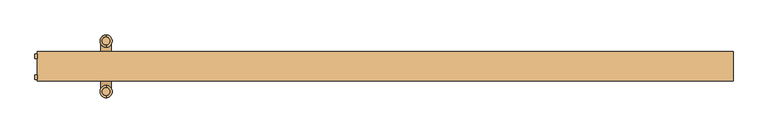
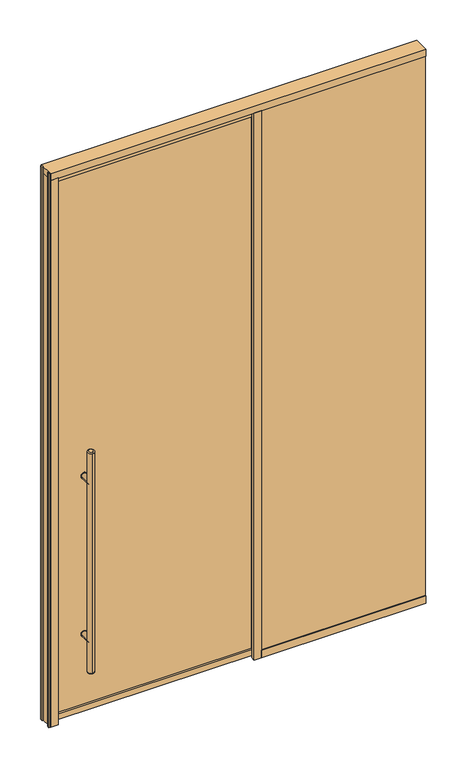
"""IFC4 building model written with IfcOpenShell, lengths in millimetres: door geometry."""

import ifcopenshell
import ifcopenshell.guid

model = None  # the IFC model being written
_history = None  # IfcOwnerHistory: only IFC2X3 demands one
_inside = {}  # id of a spatial element -> (the spatial element, [elements in it])
_under = {}  # id of a project, library or spatial element -> (it, [spatial elements below it])
_declared = {}  # id of a project -> (the project, [libraries it declares])
_typed = {}  # id of a type object -> (the type object, [elements of that type])
_made_of = {}  # id of a material, layer set ... -> (it, [elements and type objects made of it])


def new_model(schema):
    """Start an empty IFC model of exactly this schema.

    Asked for "IFC4X3", IfcOpenShell would pick the latest addendum, in which some entities
    have other attributes; the version numbers below select the first issue.
    IFC2X3 requires an IfcOwnerHistory on every rooted entity: one is made here for all.
    """
    global model, _history
    if schema == "IFC4X3":
        model = ifcopenshell.file(schema_version=(4, 3, 0, 0))
    else:
        model = ifcopenshell.file(schema=schema)
    _inside.clear()
    _under.clear()
    _declared.clear()
    _typed.clear()
    _made_of.clear()
    _history = None
    if model.schema == "IFC2X3":
        org = make("IfcOrganization", Name="unknown")
        user = make(
            "IfcPersonAndOrganization",
            ThePerson=make("IfcPerson", FamilyName="unknown"),
            TheOrganization=org,
        )
        app = make(
            "IfcApplication",
            ApplicationDeveloper=org,
            Version="unknown",
            ApplicationFullName="unknown",
            ApplicationIdentifier="unknown",
        )
        _history = make(
            "IfcOwnerHistory",
            OwningUser=user,
            OwningApplication=app,
            ChangeAction="ADDED",
            CreationDate=0,
        )
    return model


def make(cls, **values):
    """One entity of the class cls with the attributes given. An attribute that is None is left unset."""
    return model.create_entity(
        cls, **{name: value for name, value in values.items() if value is not None}
    )


def rooted(cls, **values):
    """An entity with a GlobalId (a new one), such as an element, a storey or a relation."""
    return make(cls, GlobalId=ifcopenshell.guid.new(), OwnerHistory=_history, **values)


def si_unit(unit_type, name, prefix=None):
    """IfcSIUnit, for example si_unit("LENGTHUNIT", "METRE", prefix="MILLI")."""
    return make("IfcSIUnit", UnitType=unit_type, Prefix=prefix, Name=name)


def assignment(units):
    """IfcUnitAssignment: the units of a project."""
    return None if units is None else make("IfcUnitAssignment", Units=units)


def point(xyz):
    """IfcCartesianPoint."""
    return None if xyz is None else make("IfcCartesianPoint", Coordinates=xyz)


def direction(xyz):
    """IfcDirection."""
    return None if xyz is None else make("IfcDirection", DirectionRatios=xyz)


def frame(location, z_axis=None, x_axis=None):
    """IfcAxis2Placement3D, a coordinate frame: its origin and axes. An axis left out is left unset."""
    return make(
        "IfcAxis2Placement3D",
        Location=point(location),
        Axis=direction(z_axis),
        RefDirection=direction(x_axis),
    )


def frame_2d(location, x_axis=None):
    """IfcAxis2Placement2D, a coordinate frame in the plane: its origin and x axis."""
    return make(
        "IfcAxis2Placement2D", Location=point(location), RefDirection=direction(x_axis)
    )


def origin():
    """The frame at (0, 0, 0) with its axes left unset."""
    return frame((0.0, 0.0, 0.0))


def origin_with_axes():
    """The frame at (0, 0, 0) with the z axis (0, 0, 1) and the x axis (1, 0, 0) written out."""
    return frame((0.0, 0.0, 0.0), z_axis=(0.0, 0.0, 1.0), x_axis=(1.0, 0.0, 0.0))


def place(relative_to, where):
    """IfcLocalPlacement: puts the frame where relative to a parent placement (None: the world)."""
    return make(
        "IfcLocalPlacement", PlacementRelTo=relative_to, RelativePlacement=where
    )


def context(
    kind, dimensions, precision=None, world=None, true_north=None, identifier=None
):
    """IfcGeometricRepresentationContext, for example the 3D "Model" context."""
    return make(
        "IfcGeometricRepresentationContext",
        ContextIdentifier=identifier,
        ContextType=kind,
        CoordinateSpaceDimension=dimensions,
        Precision=precision,
        WorldCoordinateSystem=world,
        TrueNorth=true_north,
    )


def project(units=None, contexts=None):
    """IfcProject with its units and contexts."""
    return rooted(
        "IfcProject",
        Name="project",
        RepresentationContexts=contexts,
        UnitsInContext=assignment(units),
    )


def spatial(cls, under=None, at=None, **own):
    """A site, building, storey or space (cls), placed at a placement, below another one or the project."""
    s = rooted(cls, ObjectPlacement=at, **own)
    if under is not None:
        _under.setdefault(under.id(), (under, []))[1].append(s)
    return s


def polyline(points):
    """IfcPolyline through the points."""
    return make("IfcPolyline", Points=[point(p) for p in points])


def circle_curve(where, radius):
    """IfcCircle in the frame where."""
    return make("IfcCircle", Position=where, Radius=radius)


def ellipse_curve(where, semi_axis1, semi_axis2):
    """IfcEllipse in the frame where."""
    return make(
        "IfcEllipse", Position=where, SemiAxis1=semi_axis1, SemiAxis2=semi_axis2
    )


def trimmed(basis, trim1, trim2, sense, master):
    """IfcTrimmedCurve: the piece of a basis curve between two trims."""
    return make(
        "IfcTrimmedCurve",
        BasisCurve=basis,
        Trim1=trim1,
        Trim2=trim2,
        SenseAgreement=sense,
        MasterRepresentation=master,
    )


def segment(curve, same_sense, transition):
    """IfcCompositeCurveSegment."""
    return make(
        "IfcCompositeCurveSegment",
        Transition=transition,
        SameSense=same_sense,
        ParentCurve=curve,
    )


def composite_curve(segments, self_intersect=None):
    """IfcCompositeCurve: segments joined end to end."""
    return make("IfcCompositeCurve", Segments=segments, SelfIntersect=self_intersect)


def outline(outer, holes=None, kind="AREA"):
    """IfcArbitraryClosedProfileDef: a profile drawn as a closed curve; with holes, ...WithVoids."""
    if holes is None:
        return make("IfcArbitraryClosedProfileDef", ProfileType=kind, OuterCurve=outer)
    return make(
        "IfcArbitraryProfileDefWithVoids",
        ProfileType=kind,
        OuterCurve=outer,
        InnerCurves=holes,
    )


def extrude(swept, where, along, depth):
    """IfcExtrudedAreaSolid: the profile swept, set in the frame where, extruded along a direction by depth."""
    return make(
        "IfcExtrudedAreaSolid",
        SweptArea=swept,
        Position=where,
        ExtrudedDirection=direction(along),
        Depth=depth,
    )


def shape(context_of_items, identifier, shape_type, items):
    """IfcShapeRepresentation: the items that make up one representation, for example the "Body"."""
    return make(
        "IfcShapeRepresentation",
        ContextOfItems=context_of_items,
        RepresentationIdentifier=identifier,
        RepresentationType=shape_type,
        Items=items,
    )


def source(mapping_origin, context_of_items, identifier, shape_type, items):
    """IfcRepresentationMap: a shape defined once, which mapped items show again and again."""
    return make(
        "IfcRepresentationMap",
        MappingOrigin=mapping_origin,
        MappedRepresentation=shape(context_of_items, identifier, shape_type, items),
    )


def transform(
    local_origin,
    x_axis=None,
    y_axis=None,
    z_axis=None,
    scale=None,
    scale2=None,
    scale3=None,
    uniform=True,
):
    """IfcCartesianTransformationOperator3D, or its non-uniform kind. x_axis, y_axis, z_axis: its Axis1, 2, 3."""
    if uniform:
        return make(
            "IfcCartesianTransformationOperator3D",
            Axis1=direction(x_axis),
            Axis2=direction(y_axis),
            LocalOrigin=point(local_origin),
            Scale=scale,
            Axis3=direction(z_axis),
        )
    return make(
        "IfcCartesianTransformationOperator3DnonUniform",
        Axis1=direction(x_axis),
        Axis2=direction(y_axis),
        LocalOrigin=point(local_origin),
        Scale=scale,
        Axis3=direction(z_axis),
        Scale2=scale2,
        Scale3=scale3,
    )


def mapped(mapping_source, mapping_target):
    """IfcMappedItem: shows the shape of a source again, moved by a transform."""
    return make(
        "IfcMappedItem", MappingSource=mapping_source, MappingTarget=mapping_target
    )


def made_of(thing, what):
    """Note that an element or type object is made of a material, layer set ...; save() writes the relation."""
    if what is not None:
        _made_of.setdefault(what.id(), (what, []))[1].append(thing)
    return thing


def element(
    cls,
    number,
    at=None,
    inside=None,
    cuts=None,
    type_object=None,
    material=None,
    context=None,
    identifier="Body",
    shape_type=None,
    held_by="IfcProductDefinitionShape",
    body=None,
    shapes=None,
    **own,
):
    """One element of the class cls, such as IfcWall. Its Tag is "e" and its number.

    at: its placement. inside: the storey or other place that contains it. cuts: it is an
    opening in that element (IfcRelVoidsElement). A single representation is given by context,
    identifier, shape_type and body (its items); several are given by shapes. held_by: the class
    of the entity that holds the representations. save() writes the other relations.
    """
    e = rooted(cls, Tag="e%d" % number, ObjectPlacement=at, **own)
    if body is not None:
        shapes = [shape(context, identifier, shape_type, body)]
    if shapes is not None:
        e.Representation = make(held_by, Representations=shapes)
    if inside is not None:
        _inside.setdefault(inside.id(), (inside, []))[1].append(e)
    if cuts is not None:
        rooted(
            "IfcRelVoidsElement", RelatingBuildingElement=cuts, RelatedOpeningElement=e
        )
    if type_object is not None:
        _typed.setdefault(type_object.id(), (type_object, []))[1].append(e)
    return made_of(e, material)


def aggregate(whole, parts):
    """IfcRelAggregates: a whole, such as a stair, and the parts it consists of."""
    return rooted("IfcRelAggregates", RelatingObject=whole, RelatedObjects=parts)


def save(model, path):
    """Write the relations noted so far, then the file.

    IfcRelAggregates (storeys below a building ...), IfcRelContainedInSpatialStructure (elements
    in a storey), IfcRelDefinesByType, IfcRelAssociatesMaterial and IfcRelDeclares: one each for
    every whole, place, type object, material and project.
    """
    for whole, parts in _under.values():
        aggregate(whole, parts)
    for where, things in _inside.values():
        rooted(
            "IfcRelContainedInSpatialStructure",
            RelatedElements=things,
            RelatingStructure=where,
        )
    for kind, things in _typed.values():
        rooted("IfcRelDefinesByType", RelatedObjects=things, RelatingType=kind)
    for what, things in _made_of.values():
        rooted("IfcRelAssociatesMaterial", RelatedObjects=things, RelatingMaterial=what)
    for by, libraries in _declared.values():
        rooted("IfcRelDeclares", RelatingContext=by, RelatedDefinitions=libraries)
    model.write(path)


def plane_surface(at):
    """IfcPlane: the flat surface through the origin of the frame at, square to its z axis."""
    return make("IfcPlane", Position=at)


def cylinder_surface(at, radius):
    """IfcCylindricalSurface: all points at the distance radius from the z axis of the frame at."""
    return make("IfcCylindricalSurface", Position=at, Radius=radius)


def revolved_surface(curve, axis_point, axis_direction):
    """IfcSurfaceOfRevolution: the curve turned about the line through axis_point along axis_direction."""
    return make(
        "IfcSurfaceOfRevolution",
        SweptCurve=make("IfcArbitraryOpenProfileDef", ProfileType="CURVE", Curve=curve),
        AxisPosition=make("IfcAxis1Placement", Location=point(axis_point), Axis=direction(axis_direction)),
    )


def advanced_brep(points, edges, surfaces, faces):
    """IfcAdvancedBrep: a solid bounded by faces that lie on surfaces and meet in shared edges.

    An edge is (start, end): straight between two places in points (the first is 0);
    or (start, end, curve); or (start, end, curve, False) where it runs against its curve.
    A face is (place in surfaces, loops), or (place, loops, False) where it looks against
    its surface's normal. A loop lists edges by number (the first is 1), with a minus sign
    where the edge is run from its end to its start. The first loop is the outer one.
    """
    corners = [point(p) for p in points]
    vertices = [make("IfcVertexPoint", VertexGeometry=c) for c in corners]
    made = []
    for start, end, *more in edges:
        made.append(
            make(
                "IfcEdgeCurve",
                EdgeStart=vertices[start],
                EdgeEnd=vertices[end],
                EdgeGeometry=more[0] if more else make("IfcPolyline", Points=[corners[start], corners[end]]),
                SameSense=more[1] if len(more) > 1 else True,
            )
        )
    hull = []
    for where, loops, *sense in faces:
        bounds = []
        for j, loop in enumerate(loops):
            ring = [make("IfcOrientedEdge", EdgeElement=made[abs(k) - 1], Orientation=k > 0) for k in loop]
            bounds.append(
                make(
                    "IfcFaceOuterBound" if j == 0 else "IfcFaceBound",
                    Bound=make("IfcEdgeLoop", EdgeList=ring),
                    Orientation=True,
                )
            )
        hull.append(make("IfcAdvancedFace", Bounds=bounds, FaceSurface=surfaces[where], SameSense=sense[0] if sense else True))
    return make("IfcAdvancedBrep", Outer=make("IfcClosedShell", CfsFaces=hull))


def door_4d57a291(model_context):
    return source(origin(), model_context, "Body", "SolidModel", [
        extrude(outline(composite_curve([segment(trimmed(circle_curve(frame_2d((428.625, -784.2518999)), 15.875), [point((428.625, -800.1268999))], [point((428.625, -768.3768999))], False, "CARTESIAN"), True, "CONTINUOUS"), segment(trimmed(circle_curve(frame_2d((428.625, -784.2518999)), 15.875), [point((428.625, -768.3768999))], [point((428.625, -800.1268999))], False, "CARTESIAN"), True, "CONTINUOUS")], self_intersect=False)), frame((0.0, 22.225, 0.0), z_axis=(0.0, 1.0, 0.0), x_axis=(0.0, 0.0, 1.0)), (0.0, 0.0, 1.0), 3.175),
        extrude(outline(composite_curve([segment(trimmed(circle_curve(frame_2d((1298.575, -784.2518999)), 15.875), [point((1298.575, -768.3768999))], [point((1298.575, -800.1268999))], False, "CARTESIAN"), True, "CONTINUOUS"), segment(trimmed(circle_curve(frame_2d((1298.575, -784.2518999)), 15.875), [point((1298.575, -800.1268999))], [point((1298.575, -768.3768999))], False, "CARTESIAN"), True, "CONTINUOUS")], self_intersect=False)), frame((0.0, 22.225, 0.0), z_axis=(0.0, 1.0, 0.0), x_axis=(0.0, 0.0, 1.0)), (0.0, 0.0, 1.0), 3.175),
        extrude(outline(composite_curve([segment(trimmed(circle_curve(frame_2d((428.625, -784.2518999)), 15.875), [point((428.625, -800.1268999))], [point((428.625, -768.3768999))], False, "CARTESIAN"), True, "CONTINUOUS"), segment(trimmed(circle_curve(frame_2d((428.625, -784.2518999)), 15.875), [point((428.625, -768.3768999))], [point((428.625, -800.1268999))], False, "CARTESIAN"), True, "CONTINUOUS")], self_intersect=False)), frame((0.0, 38.1, 0.0), z_axis=(0.0, 1.0, 0.0), x_axis=(0.0, 0.0, 1.0)), (0.0, 0.0, 1.0), 3.175),
        extrude(outline(composite_curve([segment(trimmed(circle_curve(frame_2d((1298.575, -784.2518999)), 15.875), [point((1298.575, -800.1268999))], [point((1298.575, -768.3768999))], False, "CARTESIAN"), True, "CONTINUOUS"), segment(trimmed(circle_curve(frame_2d((1298.575, -784.2518999)), 15.875), [point((1298.575, -768.3768999))], [point((1298.575, -800.1268999))], False, "CARTESIAN"), True, "CONTINUOUS")], self_intersect=False)), frame((0.0, 38.1, 0.0), z_axis=(0.0, 1.0, 0.0), x_axis=(0.0, 0.0, 1.0)), (0.0, 0.0, 1.0), 3.175),
        extrude(outline(composite_curve([segment(trimmed(circle_curve(frame_2d((428.625, -784.2518999)), 14.2875), [point((428.625, -769.9643999))], [point((428.625, -798.5393999))], False, "CARTESIAN"), True, "CONTINUOUS"), segment(trimmed(circle_curve(frame_2d((428.625, -784.2518999)), 14.2875), [point((428.625, -798.5393999))], [point((428.625, -769.9643999))], False, "CARTESIAN"), True, "CONTINUOUS")], self_intersect=False)), frame((0.0, 38.1, 0.0), z_axis=(0.0, 1.0, 0.0), x_axis=(0.0, 0.0, 1.0)), (0.0, 0.0, 1.0), 65.0875),
        extrude(outline(composite_curve([segment(trimmed(circle_curve(frame_2d((1298.575, -784.2518999)), 14.2875), [point((1298.575, -769.9643999))], [point((1298.575, -798.5393999))], False, "CARTESIAN"), True, "CONTINUOUS"), segment(trimmed(circle_curve(frame_2d((1298.575, -784.2518999)), 14.2875), [point((1298.575, -798.5393999))], [point((1298.575, -769.9643999))], False, "CARTESIAN"), True, "CONTINUOUS")], self_intersect=False)), frame((0.0, 38.1, 0.0), z_axis=(0.0, 1.0, 0.0), x_axis=(0.0, 0.0, 1.0)), (0.0, 0.0, 1.0), 65.0875),
        advanced_brep(
        [(-784.2518999, -28.8925, 1473.2), (-784.2518999, -50.4825, 1473.2), (-784.2518999, -50.4825, 254.0), (-784.2518999, -28.8925, 254.0), (-784.2518999, -56.8325, 260.35), (-784.2518999, -22.5425, 260.35), (-784.2518999, -22.5425, 1466.85), (-784.2518999, -56.8325, 1466.85)],
        [
            (0, 1, circle_curve(frame((-784.2518999, -39.6875, 1473.2), z_axis=(0.0, 0.0, 1.0), x_axis=(0.0, 1.0, 0.0)), 10.795)),
            (1, 0, circle_curve(frame((-784.2518999, -39.6875, 1473.2), z_axis=(0.0, 0.0, 1.0), x_axis=(0.0, 1.0, 0.0)), 10.795)),
            (2, 3, circle_curve(frame((-784.2518999, -39.6875, 254.0), z_axis=(0.0, 0.0, -1.0), x_axis=(0.0, 1.0, 0.0)), 10.795)),
            (3, 2, circle_curve(frame((-784.2518999, -39.6875, 254.0), z_axis=(0.0, 0.0, -1.0), x_axis=(0.0, 1.0, 0.0)), 10.795)),
            (4, 5, circle_curve(frame((-784.2518999, -39.6875, 260.35), z_axis=(0.0, 0.0, 1.0), x_axis=(0.0, 1.0, 0.0)), 17.145)),
            (5, 6),
            (6, 7, circle_curve(frame((-784.2518999, -39.6875, 1466.85), z_axis=(0.0, 0.0, -1.0), x_axis=(0.0, 1.0, 0.0)), 17.145)),
            (7, 4),
            (5, 4, circle_curve(frame((-784.2518999, -39.6875, 260.35), z_axis=(0.0, 0.0, 1.0), x_axis=(0.0, 1.0, 0.0)), 17.145)),
            (7, 6, circle_curve(frame((-784.2518999, -39.6875, 1466.85), z_axis=(0.0, 0.0, -1.0), x_axis=(0.0, 1.0, 0.0)), 17.145)),
            (2, 4, circle_curve(frame((-784.2518999, -50.4825, 260.35), z_axis=(-1.0, 0.0, 0.0), x_axis=(0.0, -1.0, 0.0)), 6.35)),
            (5, 3, circle_curve(frame((-784.2518999, -28.8925, 260.35), z_axis=(-1.0, 0.0, 0.0), x_axis=(0.0, 1.0, 0.0)), 6.35)),
            (7, 1, circle_curve(frame((-784.2518999, -50.4825, 1466.85), z_axis=(-1.0, 0.0, 0.0), x_axis=(0.0, -1.0, 0.0)), 6.35)),
            (0, 6, circle_curve(frame((-784.2518999, -28.8925, 1466.85), z_axis=(-1.0, 0.0, 0.0), x_axis=(0.0, 1.0, 0.0)), 6.35)),
        ],
        [
            plane_surface(frame((-784.2518999, 120.3325, 1473.2), z_axis=(0.0, 0.0, 1.0), x_axis=(-1.0, 0.0, 0.0))),
            plane_surface(frame((-784.2518999, 120.3325, 254.0), z_axis=(0.0, 0.0, -1.0), x_axis=(1.0, 0.0, 0.0))),
            cylinder_surface(frame((-784.2518999, -39.6875, 254.0), z_axis=(0.0, 0.0, 1.0), x_axis=(0.0, 1.0, 0.0)), 17.145),
            revolved_surface(trimmed(ellipse_curve(frame((-784.2518999, -28.8925, 260.35), z_axis=(1.0, 0.0, 0.0), x_axis=(0.0, 1.0, 0.0)), 6.35, 6.35), [point((-784.2518999, -28.8925, 254.0))], [point((-784.2518999, -22.5425, 260.35))], True, "CARTESIAN"), (-784.2518999, -39.6875, 2082.8), (0.0, 0.0, 1.0)),
            revolved_surface(trimmed(ellipse_curve(frame((-784.2518999, -28.8925, 1466.85), z_axis=(1.0, 0.0, 0.0), x_axis=(0.0, 1.0, 0.0)), 6.35, 6.35), [point((-784.2518999, -22.5425, 1466.85))], [point((-784.2518999, -28.8925, 1473.2))], True, "CARTESIAN"), (-784.2518999, -39.6875, -355.6), (0.0, 0.0, 1.0)),
        ],
        [
            (0, [[1, 2]]),
            (1, [[3, 4]]),
            (2, [[5, 6, 7, 8]]),
            (2, [[9, -8, 10, -6]]),
            (3, [[11, -9, 12, -3]]),
            (3, [[-11, -4, -12, -5]]),
            (4, [[13, -1, 14, -10]]),
            (4, [[-13, -7, -14, -2]]),
        ],
    ),
        advanced_brep(
        [(-784.2518999, 113.9825, 1473.2), (-784.2518999, 92.3925, 1473.2), (-784.2518999, 92.3925, 254.0), (-784.2518999, 113.9825, 254.0), (-784.2518999, 86.0425, 260.35), (-784.2518999, 120.3325, 260.35), (-784.2518999, 120.3325, 1466.85), (-784.2518999, 86.0425, 1466.85)],
        [
            (0, 1, circle_curve(frame((-784.2518999, 103.1875, 1473.2), z_axis=(0.0, 0.0, 1.0), x_axis=(0.0, -1.0, 0.0)), 10.795)),
            (1, 0, circle_curve(frame((-784.2518999, 103.1875, 1473.2), z_axis=(0.0, 0.0, 1.0), x_axis=(0.0, -1.0, 0.0)), 10.795)),
            (2, 3, circle_curve(frame((-784.2518999, 103.1875, 254.0), z_axis=(0.0, 0.0, -1.0), x_axis=(0.0, -1.0, 0.0)), 10.795)),
            (3, 2, circle_curve(frame((-784.2518999, 103.1875, 254.0), z_axis=(0.0, 0.0, -1.0), x_axis=(0.0, -1.0, 0.0)), 10.795)),
            (4, 5, circle_curve(frame((-784.2518999, 103.1875, 260.35), z_axis=(0.0, 0.0, 1.0), x_axis=(0.0, 1.0, 0.0)), 17.145)),
            (5, 6),
            (6, 7, circle_curve(frame((-784.2518999, 103.1875, 1466.85), z_axis=(0.0, 0.0, -1.0), x_axis=(0.0, 1.0, 0.0)), 17.145)),
            (7, 4),
            (5, 4, circle_curve(frame((-784.2518999, 103.1875, 260.35), z_axis=(0.0, 0.0, 1.0), x_axis=(0.0, 1.0, 0.0)), 17.145)),
            (7, 6, circle_curve(frame((-784.2518999, 103.1875, 1466.85), z_axis=(0.0, 0.0, -1.0), x_axis=(0.0, 1.0, 0.0)), 17.145)),
            (5, 3, circle_curve(frame((-784.2518999, 113.9825, 260.35), z_axis=(-1.0, 0.0, 0.0), x_axis=(0.0, 1.0, 0.0)), 6.35)),
            (2, 4, circle_curve(frame((-784.2518999, 92.3925, 260.35), z_axis=(-1.0, 0.0, 0.0), x_axis=(0.0, -1.0, 0.0)), 6.35)),
            (0, 6, circle_curve(frame((-784.2518999, 113.9825, 1466.85), z_axis=(-1.0, 0.0, 0.0), x_axis=(0.0, 1.0, 0.0)), 6.35)),
            (7, 1, circle_curve(frame((-784.2518999, 92.3925, 1466.85), z_axis=(-1.0, 0.0, 0.0), x_axis=(0.0, -1.0, 0.0)), 6.35)),
        ],
        [
            plane_surface(frame((-784.2518999, 120.3325, 1473.2), z_axis=(0.0, 0.0, 1.0), x_axis=(-1.0, 0.0, 0.0))),
            plane_surface(frame((-784.2518999, 120.3325, 254.0), z_axis=(0.0, 0.0, -1.0), x_axis=(1.0, 0.0, 0.0))),
            cylinder_surface(frame((-784.2518999, 103.1875, 254.0), z_axis=(0.0, 0.0, 1.0), x_axis=(0.0, 1.0, 0.0)), 17.145),
            revolved_surface(trimmed(ellipse_curve(frame((-784.2518999, 92.3925, 260.35), z_axis=(1.0, 0.0, 0.0), x_axis=(0.0, -1.0, 0.0)), 6.35, 6.35), [point((-784.2518999, 86.0425, 260.35))], [point((-784.2518999, 92.3925, 254.0))], True, "CARTESIAN"), (-784.2518999, 103.1875, 2082.8), (0.0, 0.0, -1.0)),
            revolved_surface(trimmed(ellipse_curve(frame((-784.2518999, 92.3925, 1466.85), z_axis=(1.0, 0.0, 0.0), x_axis=(0.0, -1.0, 0.0)), 6.35, 6.35), [point((-784.2518999, 92.3925, 1473.2))], [point((-784.2518999, 86.0425, 1466.85))], True, "CARTESIAN"), (-784.2518999, 103.1875, -355.6), (0.0, 0.0, -1.0)),
        ],
        [
            (0, [[1, 2]]),
            (1, [[3, 4]]),
            (2, [[5, 6, 7, 8]]),
            (2, [[9, -8, 10, -6]]),
            (3, [[11, -3, 12, -9]]),
            (3, [[-11, -5, -12, -4]]),
            (4, [[13, -10, 14, -1]]),
            (4, [[-13, -2, -14, -7]]),
        ],
    ),
        extrude(outline(composite_curve([segment(trimmed(circle_curve(frame_2d((428.625, -784.2518999)), 14.2875), [point((428.625, -769.9643999))], [point((428.625, -798.5393999))], False, "CARTESIAN"), True, "CONTINUOUS"), segment(trimmed(circle_curve(frame_2d((428.625, -784.2518999)), 14.2875), [point((428.625, -798.5393999))], [point((428.625, -769.9643999))], False, "CARTESIAN"), True, "CONTINUOUS")], self_intersect=False)), frame((0.0, -39.6875, 0.0), z_axis=(0.0, 1.0, 0.0), x_axis=(0.0, 0.0, 1.0)), (0.0, 0.0, 1.0), 65.0875),
        extrude(outline(composite_curve([segment(trimmed(circle_curve(frame_2d((1298.575, -784.2518999)), 14.2875), [point((1298.575, -769.9643999))], [point((1298.575, -798.5393999))], False, "CARTESIAN"), True, "CONTINUOUS"), segment(trimmed(circle_curve(frame_2d((1298.575, -784.2518999)), 14.2875), [point((1298.575, -798.5393999))], [point((1298.575, -769.9643999))], False, "CARTESIAN"), True, "CONTINUOUS")], self_intersect=False)), frame((0.0, -39.6875, 0.0), z_axis=(0.0, 1.0, 0.0), x_axis=(0.0, 0.0, 1.0)), (0.0, 0.0, 1.0), 65.0875),
        extrude(outline(polyline([(-977.9, 6.35), (-977.9, -6.35), (-984.25, -6.35), (-984.25, 6.35), (-977.9, 6.35)])), origin_with_axes(), (0.0, 0.0, 1.0), 3048.0),
        extrude(outline(polyline([(-984.25, 66.675), (-977.9, 66.675), (-977.9, 53.975), (-984.25, 53.975), (-984.25, 66.675)])), origin_with_axes(), (0.0, 0.0, 1.0), 3048.0),
        extrude(outline(polyline([(9.525, -968.375), (9.525, 120.6231001), (3003.55, 120.6231001), (3003.55, -968.375), (9.525, -968.375)]), holes=[polyline([(2971.8, -936.625), (2971.8, 88.8731001), (41.275, 88.8731001), (41.275, -936.625), (2971.8, -936.625)])]), frame((0.0, 15.875, 0.0), z_axis=(0.0, 1.0, 0.0), x_axis=(0.0, 0.0, 1.0)), (0.0, 0.0, 1.0), 28.575),
        extrude(outline(polyline([(120.6231001, 6.35), (977.9, 6.35), (977.9, -6.35), (120.6231001, -6.35), (120.6231001, 6.35)])), frame((0.0, 0.0, 41.275), z_axis=(0.0, 0.0, 1.0), x_axis=(1.0, 0.0, 0.0)), (0.0, 0.0, 1.0), 2968.625),
        extrude(outline(polyline([(120.6231001, 69.85), (977.9, 69.85), (977.9, 57.15), (120.6231001, 57.15), (120.6231001, 69.85)])), frame((0.0, 0.0, 41.275), z_axis=(0.0, 0.0, 1.0), x_axis=(1.0, 0.0, 0.0)), (0.0, 0.0, 1.0), 2968.625),
        extrude(outline(polyline([(120.6231001, 9.525), (120.6231001, -9.525), (82.5231001, -9.525), (82.5231001, 9.525), (120.6231001, 9.525)])), origin_with_axes(), (0.0, 0.0, 1.0), 3009.9),
        extrude(outline(polyline([(120.6231001, 73.025), (120.6231001, 53.975), (82.5231001, 53.975), (82.5231001, 73.025), (120.6231001, 73.025)])), origin_with_axes(), (0.0, 0.0, 1.0), 3009.9),
        extrude(outline(polyline([(-977.9, -9.525), (-977.9, 73.025), (-936.625, 73.025), (-936.625, 50.8), (-927.1, 50.8), (-927.1, 44.45), (-936.625, 44.45), (-936.625, 15.875), (-927.1, 15.875), (-927.1, 9.525), (-936.625, 9.525), (-936.625, -9.525), (-977.9, -9.525)])), origin_with_axes(), (0.0, 0.0, 1.0), 3009.9),
        extrude(outline(polyline([(88.8731001, 38.1), (88.8731001, 25.4), (-936.625, 25.4), (-936.625, 38.1), (88.8731001, 38.1)])), frame((0.0, 0.0, 41.275), z_axis=(0.0, 0.0, 1.0), x_axis=(1.0, 0.0, 0.0)), (0.0, 0.0, 1.0), 2930.525),
        extrude(outline(polyline([(977.9, 9.525), (977.9, -9.525), (120.6231001, -9.525), (120.6231001, 9.525), (977.9, 9.525)])), origin_with_axes(), (0.0, 0.0, 1.0), 41.275),
        extrude(outline(polyline([(977.9, 53.975), (120.6231001, 53.975), (120.6231001, 73.025), (977.9, 73.025), (977.9, 53.975)])), origin_with_axes(), (0.0, 0.0, 1.0), 41.275),
        extrude(outline(polyline([(977.9, 73.025), (977.9, -9.525), (-977.9, -9.525), (-977.9, 73.025), (977.9, 73.025)])), frame((0.0, 0.0, 3009.9), z_axis=(0.0, 0.0, 1.0), x_axis=(1.0, 0.0, 0.0)), (0.0, 0.0, 1.0), 38.1),
    ])


if __name__ == "__main__":
    model = new_model("IFC4")
    model_context = context("Model", 3, world=origin())
    ifc_project = project(units=[si_unit("LENGTHUNIT", "METRE", prefix="MILLI")], contexts=[model_context])
    site = spatial("IfcSite", under=ifc_project)
    building = spatial("IfcBuilding", under=site)
    placement = place(None, origin())
    door_shape = door_4d57a291(model_context)
    element("IfcDoor", 1, at=placement, inside=building, context=model_context, shape_type="MappedRepresentation", body=[
        mapped(door_shape, transform((0.0, 0.0, 0.0), x_axis=(1.0, 0.0, 0.0), y_axis=(0.0, 1.0, 0.0), z_axis=(0.0, 0.0, 1.0))),
    ])
    save(model, "model.ifc")
